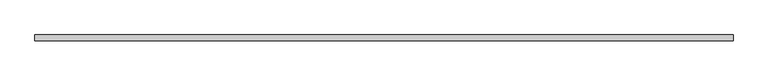
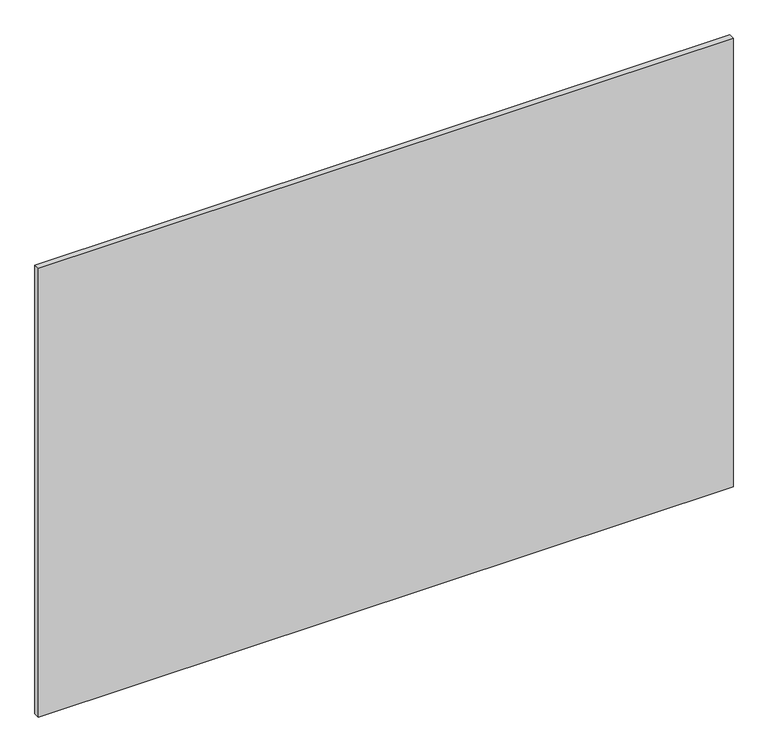
"""IFC4 building model written with IfcOpenShell, lengths in millimetres: plate geometry."""

from ifc_helpers import new_model, si_unit, origin, origin_with_axes, place, context, project, spatial, polyline, outline, extrude, source, transform, mapped, element, save


def plate_76189bd2(model_context):
    return source(origin(), model_context, "Body", "SweptSolid", [
        extrude(outline(polyline([(630.35, 5.2), (630.35, -5.2), (-630.35, -5.2), (-630.35, 5.2), (630.35, 5.2)])), origin_with_axes(), (0.0, 0.0, 1.0), 860.7),
    ])


if __name__ == "__main__":
    model = new_model("IFC4")
    model_context = context("Model", 3, world=origin())
    ifc_project = project(units=[si_unit("LENGTHUNIT", "METRE", prefix="MILLI")], contexts=[model_context])
    site = spatial("IfcSite", under=ifc_project)
    building = spatial("IfcBuilding", under=site)
    placement = place(None, origin())
    plate_shape = plate_76189bd2(model_context)
    element("IfcPlate", 1, at=placement, inside=building, context=model_context, shape_type="MappedRepresentation", body=[
        mapped(plate_shape, transform((0.0, 0.0, 0.0), x_axis=(1.0, 0.0, 0.0), y_axis=(0.0, 1.0, 0.0), z_axis=(0.0, 0.0, 1.0))),
    ])
    save(model, "model.ifc")
